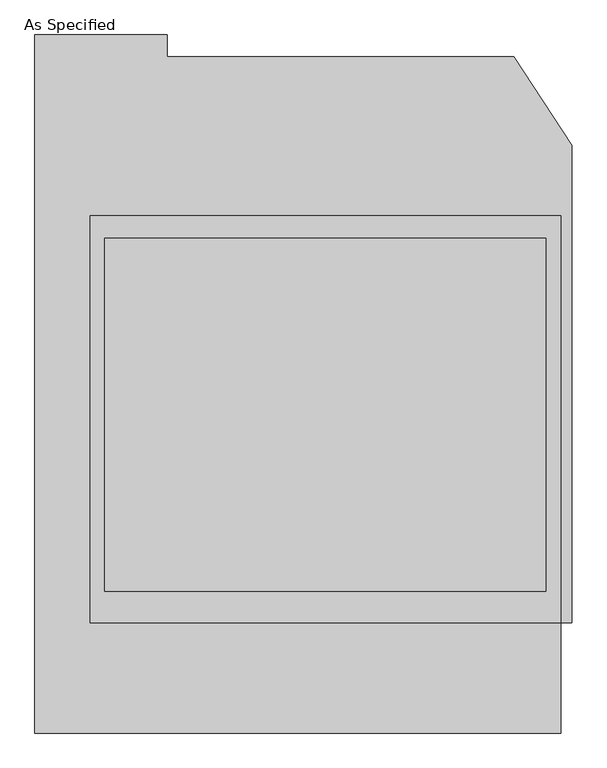
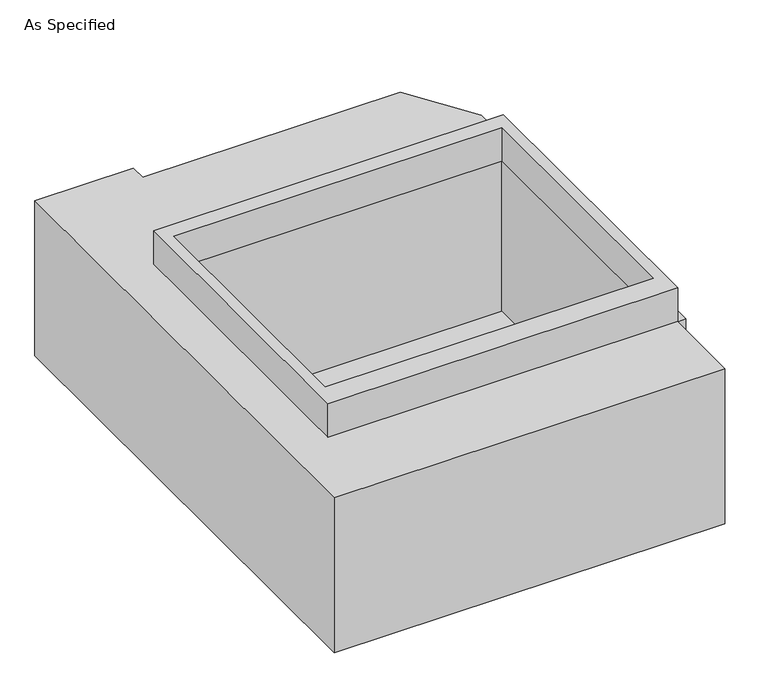
"""IFC4 building model written with IfcOpenShell, lengths in millimetres: proxy geometry, As Specified."""

from ifc_helpers import new_model, si_unit, frame, origin, place, context, project, spatial, polyline, outline, extrude, faceted_brep, source, transform, mapped, element, save


def as_specified_f26d6754(model_context):
    return source(origin(), model_context, "Body", "SolidModel", [
        faceted_brep([(-1003.3, -1166.5148438, -787.4), (-1003.3, -1166.5148438, -25.4), (-1003.3, 1242.6751562, -25.4), (-1003.3, 1242.6751562, -787.4), (-546.1, 1166.5148437, -787.4), (-546.1, 1242.6751562, -787.4), (-546.1, 1242.6751562, -25.4), (-546.1, 1166.5148437, -25.4), (651.460123, 1166.5148437, -787.4), (850.9, 862.0233299, -787.4), (850.9, -785.5148438, -787.4), (812.8, -785.5148438, -787.4), (812.8, -1166.5148438, -787.4), (812.8, -1166.5148438, -25.4), (812.8, -785.5148438, -25.4), (850.9, -785.5148438, -25.4), (850.9, 862.0233299, -25.4), (651.460123, 1166.5148437, -25.4), (762.0, 541.6748437, -25.4), (762.0, -677.5251563, -25.4), (-762.0, -677.5251563, -25.4), (-762.0, 541.6748437, -25.4), (762.0, 541.6748437, -762.0), (-762.0, 541.6748437, -762.0), (-762.0, -677.5251563, -762.0), (762.0, -677.5251563, -762.0)], [[[0, 1, 2, 3]], [[4, 5, 6, 7]], [[5, 3, 2, 6]], [[0, 3, 5, 4, 8, 9, 10, 11, 12]], [[13, 14, 15, 16, 17, 7, 6, 2, 1], [18, 19, 20, 21]], [[17, 8, 4, 7]], [[10, 15, 14, 11]], [[15, 10, 9, 16]], [[12, 11, 14, 13]], [[0, 12, 13, 1]], [[9, 8, 17, 16]], [[22, 23, 24, 25]], [[22, 25, 19, 18]], [[25, 24, 20, 19]], [[24, 23, 21, 20]], [[23, 22, 18, 21]]]),
        extrude(outline(polyline([(812.8, 617.8351562), (812.8, -785.5148438), (-812.8, -785.5148438), (-812.8, 617.8351562), (812.8, 617.8351562)]), holes=[polyline([(-762.0, 541.6748437), (-762.0, -677.5251563), (762.0, -677.5251563), (762.0, 541.6748437), (-762.0, 541.6748437)])]), frame((0.0, 0.0, -762.0), z_axis=(0.0, 0.0, 1.0), x_axis=(1.0, 0.0, 0.0)), (0.0, 0.0, 1.0), 901.7),
    ])


if __name__ == "__main__":
    model = new_model("IFC4")
    model_context = context("Model", 3, world=origin())
    ifc_project = project(units=[si_unit("LENGTHUNIT", "METRE", prefix="MILLI")], contexts=[model_context])
    site = spatial("IfcSite", under=ifc_project)
    building = spatial("IfcBuilding", under=site)
    placement = place(None, origin())
    as_specified_shape = as_specified_f26d6754(model_context)
    element("IfcBuildingElementProxy", 1, Name="As Specified", ObjectType="As Specified", at=placement, inside=building, context=model_context, shape_type="MappedRepresentation", body=[
        mapped(as_specified_shape, transform((0.0, 0.0, 0.0), x_axis=(1.0, 0.0, 0.0), y_axis=(0.0, 1.0, 0.0), z_axis=(0.0, 0.0, 1.0))),
    ])
    save(model, "model.ifc")
